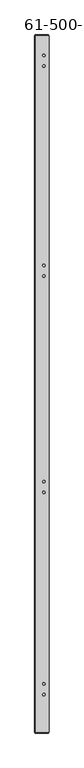
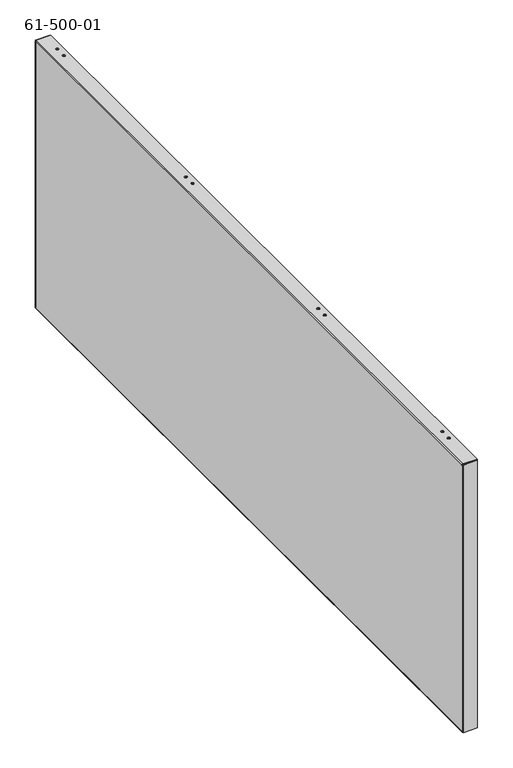
"""IFC4 building model written with IfcOpenShell, lengths in millimetres: proxy geometry, 61-500-01."""

from ifc_helpers import new_model, si_unit, frame, origin, place, context, project, spatial, polyline, circle_curve, source, transform, mapped, element, save
from ifc_brep_helpers import plane_surface, cylinder_surface, revolved_surface, advanced_brep


def proxy_61_500_01_1b13f744(model_context):
    return source(origin(), model_context, "Body", "AdvancedBrep", [
        advanced_brep(
        [(1316.80204, -1101.11794, -475.533747), (1316.80204, -1101.11794, -474.680307), (1316.80204, -1097.68894, -474.680307), (1316.80204, -1097.68894, -475.533747), (1316.80204, -1086.81774, -475.533747), (1316.80204, -1086.81774, -474.680307), (1316.80204, -1083.38874, -474.680307), (1316.80204, -1083.38874, -475.533747), (1316.80204, -529.61794, -475.533747), (1316.80204, -529.61794, -474.680307), (1316.80204, -526.18894, -474.680307), (1316.80204, -526.18894, -475.533747), (1316.80204, -515.31774, -475.533747), (1316.80204, -515.31774, -474.680307), (1316.80204, -511.88874, -474.680307), (1316.80204, -511.88874, -475.533747), (1316.80204, 56.18226, -475.533747), (1316.80204, 56.18226, -474.680307), (1316.80204, 59.61126, -474.680307), (1316.80204, 59.61126, -475.533747), (1316.80204, 41.88206, -475.533747), (1316.80204, 41.88206, -474.680307), (1316.80204, 45.31106, -474.680307), (1316.80204, 45.31106, -475.533747), (1321.42484, 62.76086, 0.85344), (1321.42484, 62.76086, 0.0), (1321.42484, 67.10426, 0.0), (1321.42484, 67.10426, 0.85344), (1321.42484, 43.71086, 0.85344), (1321.42484, 43.71086, 0.0), (1321.42484, 48.05426, 0.0), (1321.42484, 48.05426, 0.85344), (1321.42484, -311.58434, 0.85344), (1321.42484, -311.58434, 0.0), (1321.42484, -307.24094, 0.0), (1321.42484, -307.24094, 0.85344), (1321.42484, -330.63434, 0.85344), (1321.42484, -330.63434, 0.0), (1321.42484, -326.29094, 0.0), (1321.42484, -326.29094, 0.85344), (1321.42484, -697.00394, 0.85344), (1321.42484, -697.00394, 0.0), (1321.42484, -692.66054, 0.0), (1321.42484, -692.66054, 0.85344), (1321.42484, -716.05394, 0.85344), (1321.42484, -716.05394, 0.0), (1321.42484, -711.71054, 0.0), (1321.42484, -711.71054, 0.85344), (1321.42484, -1057.40454, 0.85344), (1321.42484, -1057.40454, 0.0), (1321.42484, -1053.06114, 0.0), (1321.42484, -1053.06114, 0.85344), (1321.42484, -1076.45454, 0.85344), (1321.42484, -1076.45454, 0.0), (1321.42484, -1072.11114, 0.0), (1321.42484, -1072.11114, 0.85344), (1306.6166265, 101.4272935, -1.28016), (1304.9097465, 99.7204135, -1.28016), (1305.7631865, 99.7204135, -1.28016), (1306.6166265, 100.5738535, -1.28016), (1304.9097465, 99.7204135, -473.400147), (1306.6166265, 101.4272935, -473.400147), (1306.6166265, 100.5738535, -473.400147), (1305.7631865, 99.7204135, -473.400147), (1304.9097465, 99.2936935, -0.85344), (1304.963947, 99.2936935, -0.42672), (1305.7631865, 99.2936935, -0.42672), (1305.7631865, 99.2936935, -0.85344), (1305.7631865, 99.2936935, -1.28016), (1304.9097465, 99.2936935, -1.28016), (1304.963947, 99.83216, -0.42672), (1305.7631865, 99.83216, -0.42672), (1305.7631865, 99.83216, -0.85344), (1304.9097465, 99.2936935, -473.400147), (1304.9097465, 99.2936935, -473.826867), (1304.9097465, -1140.8003735, -473.826867), (1304.9097465, -1140.8003735, -473.400147), (1304.9097465, -1141.2270935, -473.400147), (1304.9097465, -1141.2270935, -1.28016), (1304.9097465, -1140.8003735, -1.28016), (1304.9097465, -1140.8003735, -0.85344), (1305.7631865, 99.83216, -474.253587), (1304.963947, 99.83216, -474.253587), (1304.963947, 99.2936935, -474.253587), (1305.7631865, 99.2936935, -474.253587), (1305.7631865, 99.83216, -473.826867), (1305.7631865, 99.2936935, -473.826867), (1305.7631865, 99.2936935, -473.400147), (1306.6166265, 99.83216, -474.680307), (1306.6166265, 99.83216, -475.533747), (1305.7631865, -1140.8003735, -0.85344), (1305.7631865, -1140.8003735, -1.28016), (1305.7631865, -1141.2270935, -1.28016), (1305.7631865, -1141.2270935, -473.400147), (1305.7631865, -1140.8003735, -473.400147), (1305.7631865, -1140.8003735, -473.826867), (1305.7631865, -1141.33884, -0.85344), (1305.7631865, -1141.33884, -0.42672), (1305.7631865, -1140.8003735, -0.42672), (1304.963947, -1140.8003735, -0.42672), (1304.963947, -1141.33884, -0.42672), (1306.6166265, -1141.33884, 0.0), (1306.6166265, -1141.33884, 0.85344), (1304.963947, -1140.8003735, -474.253587), (1304.963947, -1141.33884, -474.253587), (1305.7631865, -1141.33884, -474.253587), (1305.7631865, -1140.8003735, -474.253587), (1305.7631865, -1141.33884, -473.826867), (1306.6166265, -1141.33884, -475.533747), (1330.28944, -1141.33884, 0.0), (1330.28944, -1141.33884, 0.85344), (1306.6166265, 99.83216, 0.85344), (1330.28944, 99.83216, 0.85344), (1306.6166265, 99.83216, 0.0), (1330.28944, 99.83216, 0.0), (1330.28944, -1141.33884, -475.533747), (1330.28944, 99.83216, -475.533747), (1330.28944, 99.83216, -474.680307), (1330.28944, -1141.33884, -474.680307), (1306.6166265, -1141.33884, -474.680307), (1306.6166265, -1142.9339735, -473.400147), (1306.6166265, -1142.0805335, -473.400147), (1307.0433465, -1142.0805335, -473.400147), (1307.0433465, -1142.9339735, -473.400147), (1307.0433465, -1142.9339735, -474.253587), (1307.0433465, -1142.0805335, -474.253587), (1305.65144, -1142.0805335, -474.253587), (1305.65144, -1142.9339735, -474.253587), (1307.0433465, -1142.0805335, -0.42672), (1305.65144, -1142.0805335, -0.42672), (1305.65144, -1142.0805335, 0.1117465), (1329.436, -1142.0805335, 0.1117465), (1329.436, -1142.0805335, -474.7920535), (1305.65144, -1142.0805335, -474.7920535), (1306.6166265, -1142.0805335, -1.28016), (1307.0433465, -1142.0805335, -1.28016), (1307.0433465, -1142.9339735, -1.28016), (1306.6166265, -1142.9339735, -1.28016), (1305.65144, -1142.9339735, -474.7920535), (1329.436, -1142.9339735, -474.7920535), (1329.436, -1142.9339735, 0.1117465), (1305.65144, -1142.9339735, 0.1117465), (1305.65144, -1142.9339735, -0.42672), (1307.0433465, -1142.9339735, -0.42672), (1307.0433465, 101.4272935, -473.400147), (1307.0433465, 100.5738535, -473.400147), (1305.65144, 101.4272935, -474.253587), (1305.65144, 100.5738535, -474.253587), (1307.0433465, 100.5738535, -474.253587), (1307.0433465, 101.4272935, -474.253587), (1307.0433465, 101.4272935, -0.42672), (1305.65144, 101.4272935, -0.42672), (1305.65144, 101.4272935, 0.1117465), (1329.436, 101.4272935, 0.1117465), (1329.436, 101.4272935, -474.7920535), (1305.65144, 101.4272935, -474.7920535), (1307.0433465, 101.4272935, -1.28016), (1307.0433465, 100.5738535, -1.28016), (1305.65144, 100.5738535, -474.7920535), (1329.436, 100.5738535, -474.7920535), (1329.436, 100.5738535, 0.1117465), (1305.65144, 100.5738535, 0.1117465), (1305.65144, 100.5738535, -0.42672), (1307.0433465, 100.5738535, -0.42672)],
        [
            (0, 1),
            (1, 2, circle_curve(frame((1316.80204, -1099.40344, -474.680307), z_axis=(0.0, 0.0, 1.0), x_axis=(0.0, -1.0, 0.0)), 1.7145)),
            (2, 3),
            (3, 0, circle_curve(frame((1316.80204, -1099.40344, -475.533747), z_axis=(0.0, 0.0, -1.0), x_axis=(0.0, -1.0, 0.0)), 1.7145)),
            (4, 5),
            (5, 6, circle_curve(frame((1316.80204, -1085.10324, -474.680307), z_axis=(0.0, 0.0, 1.0), x_axis=(0.0, -1.0, 0.0)), 1.7145)),
            (6, 7),
            (7, 4, circle_curve(frame((1316.80204, -1085.10324, -475.533747), z_axis=(0.0, 0.0, -1.0), x_axis=(0.0, -1.0, 0.0)), 1.7145)),
            (8, 9),
            (9, 10, circle_curve(frame((1316.80204, -527.90344, -474.680307), z_axis=(0.0, 0.0, 1.0), x_axis=(0.0, -1.0, 0.0)), 1.7145)),
            (10, 11),
            (11, 8, circle_curve(frame((1316.80204, -527.90344, -475.533747), z_axis=(0.0, 0.0, -1.0), x_axis=(0.0, -1.0, 0.0)), 1.7145)),
            (12, 13),
            (13, 14, circle_curve(frame((1316.80204, -513.60324, -474.680307), z_axis=(0.0, 0.0, 1.0), x_axis=(0.0, -1.0, 0.0)), 1.7145)),
            (14, 15),
            (15, 12, circle_curve(frame((1316.80204, -513.60324, -475.533747), z_axis=(0.0, 0.0, -1.0), x_axis=(0.0, -1.0, 0.0)), 1.7145)),
            (16, 17),
            (17, 18, circle_curve(frame((1316.80204, 57.89676, -474.680307), z_axis=(0.0, 0.0, 1.0), x_axis=(0.0, -1.0, 0.0)), 1.7145)),
            (18, 19),
            (19, 16, circle_curve(frame((1316.80204, 57.89676, -475.533747), z_axis=(0.0, 0.0, -1.0), x_axis=(0.0, -1.0, 0.0)), 1.7145)),
            (20, 21),
            (21, 22, circle_curve(frame((1316.80204, 43.59656, -474.680307), z_axis=(0.0, 0.0, 1.0), x_axis=(0.0, -1.0, 0.0)), 1.7145)),
            (22, 23),
            (23, 20, circle_curve(frame((1316.80204, 43.59656, -475.533747), z_axis=(0.0, 0.0, -1.0), x_axis=(0.0, -1.0, 0.0)), 1.7145)),
            (24, 25),
            (25, 26, circle_curve(frame((1321.42484, 64.93256, 0.0), z_axis=(0.0, 0.0, -1.0), x_axis=(0.0, -1.0, 0.0)), 2.1717)),
            (26, 27),
            (27, 24, circle_curve(frame((1321.42484, 64.93256, 0.85344), z_axis=(0.0, 0.0, 1.0), x_axis=(0.0, -1.0, 0.0)), 2.1717)),
            (28, 29),
            (29, 30, circle_curve(frame((1321.42484, 45.88256, 0.0), z_axis=(0.0, 0.0, -1.0), x_axis=(0.0, -1.0, 0.0)), 2.1717)),
            (30, 31),
            (31, 28, circle_curve(frame((1321.42484, 45.88256, 0.85344), z_axis=(0.0, 0.0, 1.0), x_axis=(0.0, -1.0, 0.0)), 2.1717)),
            (32, 33),
            (33, 34, circle_curve(frame((1321.42484, -309.41264, 0.0), z_axis=(0.0, 0.0, -1.0), x_axis=(0.0, -1.0, 0.0)), 2.1717)),
            (34, 35),
            (35, 32, circle_curve(frame((1321.42484, -309.41264, 0.85344), z_axis=(0.0, 0.0, 1.0), x_axis=(0.0, -1.0, 0.0)), 2.1717)),
            (36, 37),
            (37, 38, circle_curve(frame((1321.42484, -328.46264, 0.0), z_axis=(0.0, 0.0, -1.0), x_axis=(0.0, -1.0, 0.0)), 2.1717)),
            (38, 39),
            (39, 36, circle_curve(frame((1321.42484, -328.46264, 0.85344), z_axis=(0.0, 0.0, 1.0), x_axis=(0.0, -1.0, 0.0)), 2.1717)),
            (40, 41),
            (41, 42, circle_curve(frame((1321.42484, -694.83224, 0.0), z_axis=(0.0, 0.0, -1.0), x_axis=(0.0, -1.0, 0.0)), 2.1717)),
            (42, 43),
            (43, 40, circle_curve(frame((1321.42484, -694.83224, 0.85344), z_axis=(0.0, 0.0, 1.0), x_axis=(0.0, -1.0, 0.0)), 2.1717)),
            (44, 45),
            (45, 46, circle_curve(frame((1321.42484, -713.88224, 0.0), z_axis=(0.0, 0.0, -1.0), x_axis=(0.0, -1.0, 0.0)), 2.1717)),
            (46, 47),
            (47, 44, circle_curve(frame((1321.42484, -713.88224, 0.85344), z_axis=(0.0, 0.0, 1.0), x_axis=(0.0, -1.0, 0.0)), 2.1717)),
            (48, 49),
            (49, 50, circle_curve(frame((1321.42484, -1055.23284, 0.0), z_axis=(0.0, 0.0, -1.0), x_axis=(0.0, -1.0, 0.0)), 2.1717)),
            (50, 51),
            (51, 48, circle_curve(frame((1321.42484, -1055.23284, 0.85344), z_axis=(0.0, 0.0, 1.0), x_axis=(0.0, -1.0, 0.0)), 2.1717)),
            (52, 53),
            (53, 54, circle_curve(frame((1321.42484, -1074.28284, 0.0), z_axis=(0.0, 0.0, -1.0), x_axis=(0.0, -1.0, 0.0)), 2.1717)),
            (54, 55),
            (55, 52, circle_curve(frame((1321.42484, -1074.28284, 0.85344), z_axis=(0.0, 0.0, 1.0), x_axis=(0.0, -1.0, 0.0)), 2.1717)),
            (56, 57, circle_curve(frame((1306.6166265, 99.7204135, -1.28016), z_axis=(0.0, 0.0, 1.0), x_axis=(0.0, 1.0, 0.0)), 1.70688)),
            (57, 58),
            (58, 59, circle_curve(frame((1306.6166265, 99.7204135, -1.28016), z_axis=(0.0, 0.0, -1.0), x_axis=(0.0, 1.0, 0.0)), 0.85344)),
            (59, 56),
            (60, 61, circle_curve(frame((1306.6166265, 99.7204135, -473.400147), z_axis=(0.0, 0.0, -1.0), x_axis=(0.0, 1.0, 0.0)), 1.70688)),
            (61, 62),
            (62, 63, circle_curve(frame((1306.6166265, 99.7204135, -473.400147), z_axis=(0.0, 0.0, 1.0), x_axis=(0.0, 1.0, 0.0)), 0.85344)),
            (63, 60),
            (62, 59),
            (58, 63),
            (60, 57),
            (56, 61),
            (64, 65, circle_curve(frame((1306.6166265, 99.2936935, -0.85344), z_axis=(0.0, 1.0, 0.0), x_axis=(0.0, 0.0, 1.0)), 1.70688)),
            (65, 66),
            (66, 67),
            (67, 68),
            (68, 69),
            (69, 64),
            (57, 69),
            (68, 58),
            (65, 70),
            (70, 71),
            (71, 66),
            (71, 72),
            (72, 67),
            (60, 73),
            (73, 74),
            (74, 75),
            (75, 76),
            (76, 77),
            (77, 78),
            (78, 79),
            (79, 80),
            (80, 64),
            (81, 82),
            (82, 83),
            (83, 84),
            (84, 81),
            (85, 81),
            (84, 86),
            (86, 85),
            (63, 87),
            (87, 73),
            (83, 74, circle_curve(frame((1306.6166265, 99.2936935, -473.826867), z_axis=(0.0, 1.0, 0.0), x_axis=(-1.0, 0.0, 0.0)), 1.70688)),
            (87, 86),
            (85, 88, circle_curve(frame((1306.6166265, 99.83216, -473.826867), z_axis=(0.0, -1.0, 0.0), x_axis=(-1.0, 0.0, 0.0)), 0.85344)),
            (88, 89),
            (89, 82, circle_curve(frame((1306.6166265, 99.83216, -473.826867), z_axis=(0.0, 1.0, 0.0), x_axis=(-1.0, 0.0, 0.0)), 1.70688)),
            (67, 90),
            (90, 91),
            (91, 92),
            (92, 93),
            (93, 94),
            (94, 95),
            (95, 86),
            (96, 97),
            (97, 98),
            (98, 90),
            (90, 96),
            (78, 92),
            (91, 79),
            (99, 80, circle_curve(frame((1306.6166265, -1140.8003735, -0.85344), z_axis=(0.0, -1.0, 0.0), x_axis=(0.0, 0.0, 1.0)), 1.70688)),
            (98, 99),
            (97, 100),
            (100, 99),
            (96, 101, circle_curve(frame((1306.6166265, -1141.33884, -0.85344), z_axis=(0.0, 1.0, 0.0), x_axis=(0.0, 0.0, 1.0)), 0.85344)),
            (101, 102),
            (102, 100, circle_curve(frame((1306.6166265, -1141.33884, -0.85344), z_axis=(0.0, -1.0, 0.0), x_axis=(0.0, 0.0, 1.0)), 1.70688)),
            (103, 104),
            (104, 105),
            (105, 106),
            (106, 103),
            (75, 103, circle_curve(frame((1306.6166265, -1140.8003735, -473.826867), z_axis=(0.0, -1.0, 0.0), x_axis=(-1.0, 0.0, 0.0)), 1.70688)),
            (106, 95),
            (94, 76),
            (107, 95),
            (105, 107),
            (93, 77),
            (89, 108),
            (108, 104, circle_curve(frame((1306.6166265, -1141.33884, -473.826867), z_axis=(0.0, 1.0, 0.0), x_axis=(-1.0, 0.0, 0.0)), 1.70688)),
            (101, 109),
            (109, 110),
            (110, 102),
            (111, 102),
            (110, 112),
            (112, 111),
            (27, 24, circle_curve(frame((1321.42484, 64.93256, 0.85344), z_axis=(0.0, 0.0, -1.0), x_axis=(0.0, -1.0, 0.0)), 2.1717)),
            (31, 28, circle_curve(frame((1321.42484, 45.88256, 0.85344), z_axis=(0.0, 0.0, -1.0), x_axis=(0.0, -1.0, 0.0)), 2.1717)),
            (35, 32, circle_curve(frame((1321.42484, -309.41264, 0.85344), z_axis=(0.0, 0.0, -1.0), x_axis=(0.0, -1.0, 0.0)), 2.1717)),
            (39, 36, circle_curve(frame((1321.42484, -328.46264, 0.85344), z_axis=(0.0, 0.0, -1.0), x_axis=(0.0, -1.0, 0.0)), 2.1717)),
            (43, 40, circle_curve(frame((1321.42484, -694.83224, 0.85344), z_axis=(0.0, 0.0, -1.0), x_axis=(0.0, -1.0, 0.0)), 2.1717)),
            (47, 44, circle_curve(frame((1321.42484, -713.88224, 0.85344), z_axis=(0.0, 0.0, -1.0), x_axis=(0.0, -1.0, 0.0)), 2.1717)),
            (51, 48, circle_curve(frame((1321.42484, -1055.23284, 0.85344), z_axis=(0.0, 0.0, -1.0), x_axis=(0.0, -1.0, 0.0)), 2.1717)),
            (55, 52, circle_curve(frame((1321.42484, -1074.28284, 0.85344), z_axis=(0.0, 0.0, -1.0), x_axis=(0.0, -1.0, 0.0)), 2.1717)),
            (101, 113),
            (113, 114),
            (114, 109),
            (25, 26, circle_curve(frame((1321.42484, 64.93256, 0.0), z_axis=(0.0, 0.0, 1.0), x_axis=(0.0, -1.0, 0.0)), 2.1717)),
            (29, 30, circle_curve(frame((1321.42484, 45.88256, 0.0), z_axis=(0.0, 0.0, 1.0), x_axis=(0.0, -1.0, 0.0)), 2.1717)),
            (33, 34, circle_curve(frame((1321.42484, -309.41264, 0.0), z_axis=(0.0, 0.0, 1.0), x_axis=(0.0, -1.0, 0.0)), 2.1717)),
            (37, 38, circle_curve(frame((1321.42484, -328.46264, 0.0), z_axis=(0.0, 0.0, 1.0), x_axis=(0.0, -1.0, 0.0)), 2.1717)),
            (41, 42, circle_curve(frame((1321.42484, -694.83224, 0.0), z_axis=(0.0, 0.0, 1.0), x_axis=(0.0, -1.0, 0.0)), 2.1717)),
            (45, 46, circle_curve(frame((1321.42484, -713.88224, 0.0), z_axis=(0.0, 0.0, 1.0), x_axis=(0.0, -1.0, 0.0)), 2.1717)),
            (49, 50, circle_curve(frame((1321.42484, -1055.23284, 0.0), z_axis=(0.0, 0.0, 1.0), x_axis=(0.0, -1.0, 0.0)), 2.1717)),
            (53, 54, circle_curve(frame((1321.42484, -1074.28284, 0.0), z_axis=(0.0, 0.0, 1.0), x_axis=(0.0, -1.0, 0.0)), 2.1717)),
            (114, 112),
            (113, 111),
            (115, 116),
            (116, 117),
            (117, 118),
            (118, 115),
            (108, 115),
            (118, 119),
            (119, 108),
            (20, 23, circle_curve(frame((1316.80204, 43.59656, -475.533747), z_axis=(0.0, 0.0, -1.0), x_axis=(0.0, -1.0, 0.0)), 1.7145)),
            (22, 21, circle_curve(frame((1316.80204, 43.59656, -474.680307), z_axis=(0.0, 0.0, 1.0), x_axis=(0.0, -1.0, 0.0)), 1.7145)),
            (16, 19, circle_curve(frame((1316.80204, 57.89676, -475.533747), z_axis=(0.0, 0.0, -1.0), x_axis=(0.0, -1.0, 0.0)), 1.7145)),
            (18, 17, circle_curve(frame((1316.80204, 57.89676, -474.680307), z_axis=(0.0, 0.0, 1.0), x_axis=(0.0, -1.0, 0.0)), 1.7145)),
            (12, 15, circle_curve(frame((1316.80204, -513.60324, -475.533747), z_axis=(0.0, 0.0, -1.0), x_axis=(0.0, -1.0, 0.0)), 1.7145)),
            (14, 13, circle_curve(frame((1316.80204, -513.60324, -474.680307), z_axis=(0.0, 0.0, 1.0), x_axis=(0.0, -1.0, 0.0)), 1.7145)),
            (8, 11, circle_curve(frame((1316.80204, -527.90344, -475.533747), z_axis=(0.0, 0.0, -1.0), x_axis=(0.0, -1.0, 0.0)), 1.7145)),
            (10, 9, circle_curve(frame((1316.80204, -527.90344, -474.680307), z_axis=(0.0, 0.0, 1.0), x_axis=(0.0, -1.0, 0.0)), 1.7145)),
            (4, 7, circle_curve(frame((1316.80204, -1085.10324, -475.533747), z_axis=(0.0, 0.0, -1.0), x_axis=(0.0, -1.0, 0.0)), 1.7145)),
            (6, 5, circle_curve(frame((1316.80204, -1085.10324, -474.680307), z_axis=(0.0, 0.0, 1.0), x_axis=(0.0, -1.0, 0.0)), 1.7145)),
            (0, 3, circle_curve(frame((1316.80204, -1099.40344, -475.533747), z_axis=(0.0, 0.0, -1.0), x_axis=(0.0, -1.0, 0.0)), 1.7145)),
            (2, 1, circle_curve(frame((1316.80204, -1099.40344, -474.680307), z_axis=(0.0, 0.0, 1.0), x_axis=(0.0, -1.0, 0.0)), 1.7145)),
            (88, 119),
            (117, 88),
            (116, 89),
            (107, 119, circle_curve(frame((1306.6166265, -1141.33884, -473.826867), z_axis=(0.0, -1.0, 0.0), x_axis=(-1.0, 0.0, 0.0)), 0.85344)),
            (111, 70, circle_curve(frame((1306.6166265, 99.83216, -0.85344), z_axis=(0.0, -1.0, 0.0), x_axis=(0.0, 0.0, 1.0)), 1.70688)),
            (72, 113, circle_curve(frame((1306.6166265, 99.83216, -0.85344), z_axis=(0.0, 1.0, 0.0), x_axis=(0.0, 0.0, 1.0)), 0.85344)),
            (120, 121),
            (121, 122),
            (122, 123),
            (123, 120),
            (124, 123),
            (122, 125),
            (125, 124),
            (126, 127),
            (127, 124),
            (125, 126),
            (128, 129),
            (129, 130),
            (130, 131),
            (131, 132),
            (132, 133),
            (133, 126),
            (121, 134),
            (134, 135),
            (135, 128),
            (136, 137),
            (137, 120),
            (127, 138),
            (138, 139),
            (139, 140),
            (140, 141),
            (141, 142),
            (142, 143),
            (143, 136),
            (133, 138),
            (132, 139),
            (131, 140),
            (130, 141),
            (129, 142),
            (143, 128),
            (135, 136),
            (134, 137),
            (77, 120, circle_curve(frame((1306.6166265, -1141.2270935, -473.400147), z_axis=(0.0, 0.0, 1.0), x_axis=(-1.0, 0.0, 0.0)), 1.70688)),
            (137, 78, circle_curve(frame((1306.6166265, -1141.2270935, -1.28016), z_axis=(0.0, 0.0, -1.0), x_axis=(-1.0, 0.0, 0.0)), 1.70688)),
            (121, 93, circle_curve(frame((1306.6166265, -1141.2270935, -473.400147), z_axis=(0.0, 0.0, -1.0), x_axis=(-1.0, 0.0, 0.0)), 0.85344)),
            (92, 134, circle_curve(frame((1306.6166265, -1141.2270935, -1.28016), z_axis=(0.0, 0.0, 1.0), x_axis=(-1.0, 0.0, 0.0)), 0.85344)),
            (61, 144),
            (144, 145),
            (145, 62),
            (146, 147),
            (147, 148),
            (148, 149),
            (149, 146),
            (144, 149),
            (148, 145),
            (150, 151),
            (151, 152),
            (152, 153),
            (153, 154),
            (154, 155),
            (155, 146),
            (56, 156),
            (156, 150),
            (157, 59),
            (147, 158),
            (158, 159),
            (159, 160),
            (160, 161),
            (161, 162),
            (162, 163),
            (163, 157),
            (155, 158),
            (152, 161),
            (160, 153),
            (159, 154),
            (151, 162),
            (156, 157),
            (163, 150),
        ],
        [
            revolved_surface(polyline([(1316.80204, -1101.11794, -475.533747), (1316.80204, -1101.11794, -474.680307)]), (1316.80204, -1099.40344, -474.680307), (0.0, 0.0, -1.0)),
            revolved_surface(polyline([(1316.80204, -1086.81774, -475.533747), (1316.80204, -1086.81774, -474.680307)]), (1316.80204, -1085.10324, -474.680307), (0.0, 0.0, -1.0)),
            revolved_surface(polyline([(1316.80204, -529.6179400000001, -475.533747), (1316.80204, -529.6179400000001, -474.680307)]), (1316.80204, -527.90344, -474.680307), (0.0, 0.0, -1.0)),
            revolved_surface(polyline([(1316.80204, -515.3177400000001, -475.533747), (1316.80204, -515.3177400000001, -474.680307)]), (1316.80204, -513.60324, -474.680307), (0.0, 0.0, -1.0)),
            revolved_surface(polyline([(1316.80204, 56.18226, -475.533747), (1316.80204, 56.18226, -474.680307)]), (1316.80204, 57.89676, -474.680307), (0.0, 0.0, -1.0)),
            revolved_surface(polyline([(1316.80204, 41.882059999999996, -475.533747), (1316.80204, 41.882059999999996, -474.680307)]), (1316.80204, 43.59656, -474.680307), (0.0, 0.0, -1.0)),
            revolved_surface(polyline([(1321.42484, 62.760859999999994, 0.85344), (1321.42484, 62.760859999999994, 0.0)]), (1321.42484, 64.93256, 0.0), (0.0, 0.0, 1.0)),
            revolved_surface(polyline([(1321.42484, 43.71086, 0.85344), (1321.42484, 43.71086, 0.0)]), (1321.42484, 45.88256, 0.0), (0.0, 0.0, 1.0)),
            revolved_surface(polyline([(1321.42484, -311.58434, 0.85344), (1321.42484, -311.58434, 0.0)]), (1321.42484, -309.41264, 0.0), (0.0, 0.0, 1.0)),
            revolved_surface(polyline([(1321.42484, -330.63434, 0.85344), (1321.42484, -330.63434, 0.0)]), (1321.42484, -328.46264, 0.0), (0.0, 0.0, 1.0)),
            revolved_surface(polyline([(1321.42484, -697.00394, 0.85344), (1321.42484, -697.00394, 0.0)]), (1321.42484, -694.83224, 0.0), (0.0, 0.0, 1.0)),
            revolved_surface(polyline([(1321.42484, -716.05394, 0.85344), (1321.42484, -716.05394, 0.0)]), (1321.42484, -713.88224, 0.0), (0.0, 0.0, 1.0)),
            revolved_surface(polyline([(1321.42484, -1057.40454, 0.85344), (1321.42484, -1057.40454, 0.0)]), (1321.42484, -1055.23284, 0.0), (0.0, 0.0, 1.0)),
            revolved_surface(polyline([(1321.42484, -1076.4545400000002, 0.85344), (1321.42484, -1076.4545400000002, 0.0)]), (1321.42484, -1074.28284, 0.0), (0.0, 0.0, 1.0)),
            plane_surface(frame((1306.6166265, 102.9208135, -1.28016), z_axis=(0.0, 0.0, 1.0), x_axis=(1.0, 0.0, 0.0))),
            plane_surface(frame((1303.4162265, 99.7204135, -473.400147), z_axis=(0.0, 0.0, -1.0), x_axis=(-1.0, 0.0, 0.0))),
            revolved_surface(polyline([(1306.6166265, 100.57385350000001, -1.280159999999995), (1306.6166265, 100.57385350000001, -473.400147)]), (1306.6166265, 99.7204135, -237.3401535), (0.0, 0.0, 1.0)),
            cylinder_surface(frame((1306.6166265, 99.7204135, -237.3401535), z_axis=(0.0, 0.0, 1.0), x_axis=(0.0, 1.0, 0.0)), 1.70688),
            plane_surface(frame((1305.7631865, 99.2936935, -0.42672), z_axis=(0.0, 1.0, 0.0), x_axis=(0.0, 0.0, 1.0))),
            plane_surface(frame((1305.7631865, 99.2936935, -1.28016), z_axis=(0.0, 0.0, 1.0), x_axis=(0.0, -1.0, 0.0))),
            plane_surface(frame((1305.7631865, 102.0775065, -0.42672), z_axis=(0.0, 0.0, -1.0), x_axis=(0.0, 1.0, 0.0))),
            plane_surface(frame((1305.7631865, 100.6856, -0.85344), z_axis=(-1.0, 0.0, 0.0), x_axis=(0.0, 0.0, 1.0))),
            plane_surface(frame((1304.9097465, -520.75334, -237.3401535), z_axis=(-1.0, 0.0, 0.0), x_axis=(0.0, 1.0, 0.0))),
            plane_surface(frame((1305.7631865, 99.2936935, -474.253587), z_axis=(0.0, 0.0, 1.0), x_axis=(0.0, -1.0, 0.0))),
            plane_surface(frame((1305.7631865, 100.6856, -473.826867), z_axis=(-1.0, 0.0, 0.0), x_axis=(0.0, 0.0, 1.0))),
            plane_surface(frame((1305.7631865, 102.0775065, -473.400147), z_axis=(0.0, 0.0, -1.0), x_axis=(0.0, 1.0, 0.0))),
            plane_surface(frame((1305.7631865, 99.2936935, -473.400147), z_axis=(0.0, 1.0, 0.0), x_axis=(0.0, 0.0, 1.0))),
            plane_surface(frame((1303.4162265, 99.83216, -473.826867), z_axis=(0.0, 1.0, 0.0), x_axis=(-1.0, 0.0, 0.0))),
            plane_surface(frame((1305.7631865, -520.75334, -237.3401535), z_axis=(1.0, 0.0, 0.0), x_axis=(0.0, 1.0, 0.0))),
            plane_surface(frame((1305.7631865, -1142.19228, -0.85344), z_axis=(-1.0, 0.0, 0.0), x_axis=(0.0, 0.0, 1.0))),
            plane_surface(frame((1305.7631865, -1143.5841865, -1.28016), z_axis=(0.0, 0.0, 1.0), x_axis=(0.0, -1.0, 0.0))),
            plane_surface(frame((1305.7631865, -1140.8003735, -1.28016), z_axis=(0.0, -1.0, 0.0), x_axis=(0.0, 0.0, -1.0))),
            plane_surface(frame((1305.7631865, -1140.8003735, -0.42672), z_axis=(0.0, 0.0, -1.0), x_axis=(0.0, 1.0, 0.0))),
            plane_surface(frame((1303.4162265, -1141.33884, -0.85344), z_axis=(0.0, -1.0, 0.0), x_axis=(0.0, 0.0, -1.0))),
            plane_surface(frame((1305.7631865, -1143.5841865, -474.253587), z_axis=(0.0, 0.0, 1.0), x_axis=(0.0, -1.0, 0.0))),
            plane_surface(frame((1305.7631865, -1140.8003735, -474.253587), z_axis=(0.0, -1.0, 0.0), x_axis=(0.0, 0.0, -1.0))),
            plane_surface(frame((1305.7631865, -1142.19228, -473.826867), z_axis=(-1.0, 0.0, 0.0), x_axis=(0.0, 0.0, 1.0))),
            plane_surface(frame((1305.7631865, -1140.8003735, -473.400147), z_axis=(0.0, 0.0, -1.0), x_axis=(0.0, 1.0, 0.0))),
            cylinder_surface(frame((1306.6166265, -520.75334, -473.826867), z_axis=(0.0, -1.0, 0.0), x_axis=(-1.0, 0.0, 0.0)), 1.70688),
            plane_surface(frame((1330.28944, -1141.33884, 0.0), z_axis=(0.0, -1.0, 0.0), x_axis=(0.0, 0.0, 1.0))),
            plane_surface(frame((1068.19954, -520.75334, 0.85344), z_axis=(0.0, 0.0, 1.0), x_axis=(0.0, 1.0, 0.0))),
            plane_surface(frame((1068.19954, -520.75334, 0.0), z_axis=(0.0, 0.0, -1.0), x_axis=(0.0, 1.0, 0.0))),
            plane_surface(frame((1330.28944, 99.83216, 0.0), z_axis=(1.0, 0.0, 0.0), x_axis=(0.0, 0.0, -1.0))),
            plane_surface(frame((1305.65144, 99.83216, 0.0), z_axis=(0.0, 1.0, 0.0), x_axis=(0.0, 0.0, -1.0))),
            plane_surface(frame((1330.28944, -1141.33884, -474.680307), z_axis=(1.0, 0.0, 0.0), x_axis=(0.0, 0.0, -1.0))),
            plane_surface(frame((1305.65144, -1141.33884, -474.680307), z_axis=(0.0, -1.0, 0.0), x_axis=(0.0, 0.0, -1.0))),
            plane_surface(frame((1068.19954, -520.75334, -474.680307), z_axis=(0.0, 0.0, 1.0), x_axis=(0.0, 1.0, 0.0))),
            plane_surface(frame((1330.28944, 99.83216, -474.680307), z_axis=(0.0, 1.0, 0.0), x_axis=(0.0, 0.0, 1.0))),
            plane_surface(frame((1068.19954, -520.75334, -475.533747), z_axis=(0.0, 0.0, -1.0), x_axis=(0.0, 1.0, 0.0))),
            revolved_surface(polyline([(1305.7631864999998, -1141.33884, -473.826867), (1305.7631864999998, 99.83216000000004, -473.826867)]), (1306.6166265, -520.75334, -473.826867), (0.0, -1.0, 0.0)),
            plane_surface(frame((1303.4162265, -1141.33884, -473.826867), z_axis=(0.0, -1.0, 0.0), x_axis=(-1.0, 0.0, 0.0))),
            cylinder_surface(frame((1306.6166265, -520.75334, -0.85344), z_axis=(0.0, -1.0, 0.0), x_axis=(0.0, 0.0, 1.0)), 1.70688),
            revolved_surface(polyline([(1306.6166265, -1141.33884, 0.0), (1306.6166265, 99.83216000000004, 0.0)]), (1306.6166265, -520.75334, -0.85344), (0.0, -1.0, 0.0)),
            plane_surface(frame((1303.4162265, 99.83216, -0.85344), z_axis=(0.0, 1.0, -2.5724762143819855e-12), x_axis=(0.0, -2.5724762143819855e-12, -1.0))),
            plane_surface(frame((1304.2595335, -1142.0805335, -473.400147), z_axis=(0.0, 0.0, -1.0), x_axis=(-1.0, 0.0, 0.0))),
            plane_surface(frame((1307.0433465, -1142.0805335, -473.400147), z_axis=(-1.0, 0.0, 0.0), x_axis=(0.0, 0.0, 1.0))),
            plane_surface(frame((1307.0433465, -1142.0805335, -474.253587), z_axis=(0.0, 0.0, 1.0), x_axis=(1.0, 0.0, 0.0))),
            plane_surface(frame((684.2125, -1142.0805335, -237.3401535), z_axis=(0.0, 1.0, 0.0), x_axis=(-1.0, 0.0, 0.0))),
            plane_surface(frame((684.2125, -1142.9339735, -237.3401535), z_axis=(0.0, -1.0, 0.0), x_axis=(-1.0, 0.0, 0.0))),
            plane_surface(frame((1305.65144, -1142.0805335, -473.400147), z_axis=(-1.0, 0.0, 0.0), x_axis=(0.0, -1.0, 0.0))),
            plane_surface(frame((1329.436, -1142.0805335, -474.7920535), z_axis=(0.0, 0.0, -1.0), x_axis=(0.0, -1.0, 0.0))),
            plane_surface(frame((1329.436, -1142.0805335, 0.1117465), z_axis=(1.0, 0.0, 0.0), x_axis=(0.0, -1.0, 0.0))),
            plane_surface(frame((1304.798, -1142.0805335, 0.1117465), z_axis=(0.0, 0.0, 1.0), x_axis=(0.0, 1.0, 0.0))),
            plane_surface(frame((1305.65144, -1142.0805335, 1.503653), z_axis=(-1.0, 0.0, 0.0), x_axis=(0.0, -1.0, 0.0))),
            plane_surface(frame((1307.0433465, -1142.0805335, -0.42672), z_axis=(-1.0, 0.0, 0.0), x_axis=(0.0, 0.0, 1.0))),
            plane_surface(frame((1307.0433465, -1142.0805335, -1.28016), z_axis=(0.0, 0.0, 1.0), x_axis=(1.0, 0.0, 0.0))),
            plane_surface(frame((1304.2595335, -1142.0805335, -0.42672), z_axis=(0.0, 0.0, -1.0), x_axis=(-1.0, 0.0, 0.0))),
            cylinder_surface(frame((1306.6166265, -1141.2270935, -237.3401535), z_axis=(0.0, 0.0, 1.0), x_axis=(-1.0, 0.0, 0.0)), 1.70688),
            revolved_surface(polyline([(1305.7631864999998, -1141.2270935, -1.280159999999995), (1305.7631864999998, -1141.2270935, -473.400147)]), (1306.6166265, -1141.2270935, -237.3401535), (0.0, 0.0, 1.0)),
            plane_surface(frame((1306.6166265, -1144.4274935, -473.400147), z_axis=(0.0, 0.0, -1.0), x_axis=(0.0, -1.0, 0.0))),
            plane_surface(frame((1303.4162265, -1141.2270935, -1.28016), z_axis=(0.0, 0.0, 1.0), x_axis=(0.0, 1.0, 0.0))),
            plane_surface(frame((1307.0433465, 100.5738535, -473.400147), z_axis=(0.0, 0.0, -1.0), x_axis=(1.0, 0.0, 0.0))),
            plane_surface(frame((1304.2595335, 100.5738535, -474.253587), z_axis=(0.0, 0.0, 1.0), x_axis=(-1.0, 0.0, 0.0))),
            plane_surface(frame((1307.0433465, 100.5738535, -474.253587), z_axis=(-1.0, 0.0, 0.0), x_axis=(0.0, 0.0, -1.0))),
            plane_surface(frame((684.2125, 101.4272935, -237.3401535), z_axis=(0.0, 1.0, 0.0), x_axis=(1.0, 0.0, 0.0))),
            plane_surface(frame((684.2125, 100.5738535, -237.3401535), z_axis=(0.0, -1.0, 0.0), x_axis=(1.0, 0.0, 0.0))),
            plane_surface(frame((1305.65144, 100.5738535, -476.18396), z_axis=(-1.0, 0.0, 0.0), x_axis=(0.0, -1.0, 0.0))),
            plane_surface(frame((1329.436, 100.5738535, 0.1117465), z_axis=(0.0, 0.0, 1.0), x_axis=(0.0, -1.0, 0.0))),
            plane_surface(frame((1329.436, 100.5738535, -474.7920535), z_axis=(1.0, 0.0, 0.0), x_axis=(0.0, -1.0, 0.0))),
            plane_surface(frame((1304.798, 100.5738535, -474.7920535), z_axis=(0.0, 0.0, -1.0), x_axis=(0.0, 1.0, 0.0))),
            plane_surface(frame((1305.65144, 100.5738535, -1.28016), z_axis=(-1.0, 0.0, 0.0), x_axis=(0.0, -1.0, 0.0))),
            plane_surface(frame((1307.0433465, 100.5738535, -1.28016), z_axis=(-1.0, 0.0, 0.0), x_axis=(0.0, 0.0, -1.0))),
            plane_surface(frame((1304.2595335, 100.5738535, -1.28016), z_axis=(0.0, 0.0, 1.0), x_axis=(-1.0, 0.0, 0.0))),
            plane_surface(frame((1307.0433465, 100.5738535, -0.42672), z_axis=(0.0, 0.0, -1.0), x_axis=(1.0, 0.0, 0.0))),
        ],
        [
            (0, [[1, 2, 3, 4]]),
            (1, [[5, 6, 7, 8]]),
            (2, [[9, 10, 11, 12]]),
            (3, [[13, 14, 15, 16]]),
            (4, [[17, 18, 19, 20]]),
            (5, [[21, 22, 23, 24]]),
            (6, [[25, 26, 27, 28]]),
            (7, [[29, 30, 31, 32]]),
            (8, [[33, 34, 35, 36]]),
            (9, [[37, 38, 39, 40]]),
            (10, [[41, 42, 43, 44]]),
            (11, [[45, 46, 47, 48]]),
            (12, [[49, 50, 51, 52]]),
            (13, [[53, 54, 55, 56]]),
            (14, [[57, 58, 59, 60]]),
            (15, [[61, 62, 63, 64]]),
            (16, [[-63, 65, -59, 66]]),
            (17, [[-61, 67, -57, 68]]),
            (18, [[69, 70, 71, 72, 73, 74]]),
            (19, [[-58, 75, -73, 76]]),
            (20, [[77, 78, 79, -70]]),
            (21, [[80, 81, -71, -79]]),
            (22, [[-74, -75, -67, 82, 83, 84, 85, 86, 87, 88, 89, 90]]),
            (23, [[91, 92, 93, 94]]),
            (24, [[95, -94, 96, 97]]),
            (25, [[-64, 98, 99, -82]]),
            (26, [[100, -83, -99, 101, -96, -93]]),
            (27, [[-91, -95, 102, 103, 104]]),
            (28, [[-72, 105, 106, 107, 108, 109, 110, 111, -101, -98, -66, -76]]),
            (29, [[112, 113, 114, 115]]),
            (30, [[116, -107, 117, -88]]),
            (31, [[118, -89, -117, -106, -114, 119]]),
            (32, [[120, 121, -119, -113]]),
            (33, [[-120, -112, 122, 123, 124]]),
            (34, [[125, 126, 127, 128]]),
            (35, [[129, -128, 130, -110, 131, -85]]),
            (36, [[132, -130, -127, 133]]),
            (37, [[134, -86, -131, -109]]),
            (38, [[-92, -104, 135, 136, -125, -129, -84, -100]]),
            (39, [[137, 138, 139, -123]]),
            (40, [[140, -139, 141, 142], [143, -28], [144, -32], [145, -36], [146, -40], [147, -44], [148, -48], [149, -52], [150, -56]]),
            (41, [[151, 152, 153, -137], [-26, 154], [-30, 155], [-34, 156], [-38, 157], [-42, 158], [-46, 159], [-50, 160], [-54, 161]]),
            (42, [[-141, -138, -153, 162]]),
            (43, [[-142, -162, -152, 163]]),
            (13, [[-53, -150, -55, -161]]),
            (12, [[-49, -149, -51, -160]]),
            (11, [[-45, -148, -47, -159]]),
            (10, [[-41, -147, -43, -158]]),
            (9, [[-37, -146, -39, -157]]),
            (8, [[-33, -145, -35, -156]]),
            (7, [[-29, -144, -31, -155]]),
            (6, [[-25, -143, -27, -154]]),
            (44, [[164, 165, 166, 167]]),
            (45, [[168, -167, 169, 170]]),
            (5, [[-21, 171, -23, 172]]),
            (4, [[-17, 173, -19, 174]]),
            (3, [[-13, 175, -15, 176]]),
            (2, [[-9, 177, -11, 178]]),
            (1, [[-5, 179, -7, 180]]),
            (0, [[-1, 181, -3, 182]]),
            (46, [[183, -169, -166, 184], [-2, -182], [-6, -180], [-10, -178], [-14, -176], [-18, -174], [-22, -172]]),
            (47, [[-184, -165, 185, -103]]),
            (48, [[-135, -185, -164, -168], [-171, -24], [-173, -20], [-175, -16], [-177, -12], [-179, -8], [-181, -4]]),
            (49, [[-102, -97, -111, -132, 186, -183]]),
            (50, [[-126, -136, -170, -186, -133]]),
            (51, [[-69, -90, -118, -121, -124, -140, 187, -77]]),
            (52, [[188, -151, -122, -115, -105, -81]]),
            (53, [[-78, -187, -163, -188, -80]]),
            (54, [[189, 190, 191, 192]]),
            (55, [[193, -191, 194, 195]]),
            (56, [[196, 197, -195, 198]]),
            (57, [[199, 200, 201, 202, 203, 204, -198, -194, -190, 205, 206, 207]]),
            (58, [[208, 209, -192, -193, -197, 210, 211, 212, 213, 214, 215, 216]]),
            (59, [[-196, -204, 217, -210]]),
            (60, [[-217, -203, 218, -211]]),
            (61, [[-212, -218, -202, 219]]),
            (62, [[220, -213, -219, -201]]),
            (63, [[221, -214, -220, -200]]),
            (64, [[-216, 222, -207, 223]]),
            (65, [[224, -208, -223, -206]]),
            (66, [[-221, -199, -222, -215]]),
            (67, [[225, -209, 226, -87]]),
            (68, [[227, -108, 228, -205]]),
            (69, [[-225, -134, -227, -189]]),
            (70, [[-226, -224, -228, -116]]),
            (71, [[-62, 229, 230, 231]]),
            (72, [[232, 233, 234, 235]]),
            (73, [[236, -234, 237, -230]]),
            (74, [[238, 239, 240, 241, 242, 243, -235, -236, -229, -68, 244, 245]]),
            (75, [[246, -65, -231, -237, -233, 247, 248, 249, 250, 251, 252, 253]]),
            (76, [[-232, -243, 254, -247]]),
            (77, [[255, -250, 256, -240]]),
            (78, [[-241, -256, -249, 257]]),
            (79, [[-254, -242, -257, -248]]),
            (80, [[258, -251, -255, -239]]),
            (81, [[-245, 259, -253, 260]]),
            (82, [[-60, -246, -259, -244]]),
            (83, [[-258, -238, -260, -252]]),
        ],
    ),
    ])


if __name__ == "__main__":
    model = new_model("IFC4")
    model_context = context("Model", 3, world=origin())
    ifc_project = project(units=[si_unit("LENGTHUNIT", "METRE", prefix="MILLI")], contexts=[model_context])
    site = spatial("IfcSite", under=ifc_project)
    building = spatial("IfcBuilding", under=site)
    placement = place(None, origin())
    proxy_61_500_01_shape = proxy_61_500_01_1b13f744(model_context)
    element("IfcBuildingElementProxy", 1, Name="61-500-01", ObjectType="61-500-01", at=placement, inside=building, context=model_context, shape_type="MappedRepresentation", body=[
        mapped(proxy_61_500_01_shape, transform((0.0, 0.0, 0.0), x_axis=(1.0, 0.0, 0.0), y_axis=(0.0, 1.0, 0.0), z_axis=(0.0, 0.0, 1.0))),
    ])
    save(model, "model.ifc")
